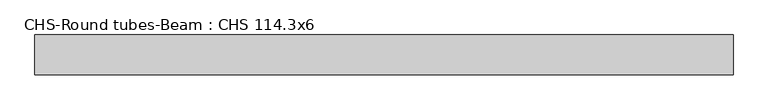
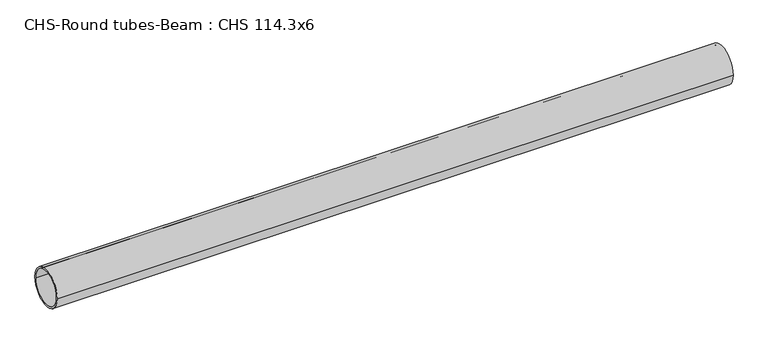
"""IFC4 building model written with IfcOpenShell, lengths in millimetres: beam geometry, CHS-Round tubes-Beam : CHS 114.3x6."""

from ifc_helpers import new_model, si_unit, point, frame, origin, origin_2d, place, context, project, spatial, circle_curve, trimmed, segment, composite_curve, outline, extrude, source, transform, mapped, element, save


def chs_round_tubes_beam_chs_114_3x6_eb55ab79(model_context):
    return source(origin(), model_context, "Body", "SweptSolid", [
        extrude(outline(composite_curve([segment(trimmed(circle_curve(origin_2d(), 57.15), [point((57.15, 0.0))], [point((-57.15, 0.0))], False, "CARTESIAN"), True, "CONTINUOUS"), segment(trimmed(circle_curve(origin_2d(), 57.15), [point((-57.15, 0.0))], [point((57.15, 0.0))], False, "CARTESIAN"), True, "CONTINUOUS")], self_intersect=False), holes=[composite_curve([segment(trimmed(circle_curve(origin_2d(), 51.15), [point((51.15, 0.0))], [point((-51.15, 0.0))], True, "CARTESIAN"), True, "CONTINUOUS"), segment(trimmed(circle_curve(origin_2d(), 51.15), [point((-51.15, 0.0))], [point((51.15, 0.0))], True, "CARTESIAN"), True, "CONTINUOUS")], self_intersect=False)]), frame((-954.4565928, 0.0, 0.0), z_axis=(1.0, 0.0, 0.0), x_axis=(0.0, 1.0, 0.0)), (0.0, 0.0, 1.0), 2004.6477308),
    ])


if __name__ == "__main__":
    model = new_model("IFC4")
    model_context = context("Model", 3, world=origin())
    ifc_project = project(units=[si_unit("LENGTHUNIT", "METRE", prefix="MILLI")], contexts=[model_context])
    site = spatial("IfcSite", under=ifc_project)
    building = spatial("IfcBuilding", under=site)
    placement = place(None, origin())
    chs_round_tubes_beam_chs_114_3x6_shape = chs_round_tubes_beam_chs_114_3x6_eb55ab79(model_context)
    element("IfcBeam", 1, ObjectType="CHS-Round tubes-Beam : CHS 114.3x6", at=placement, inside=building, context=model_context, shape_type="MappedRepresentation", body=[
        mapped(chs_round_tubes_beam_chs_114_3x6_shape, transform((0.0, 0.0, 0.0), x_axis=(1.0, 0.0, 0.0), y_axis=(0.0, 1.0, 0.0), z_axis=(0.0, 0.0, 1.0))),
    ])
    save(model, "model.ifc")
